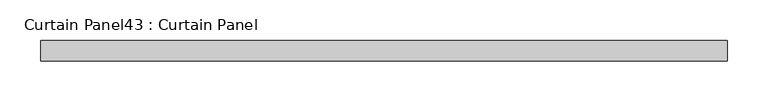
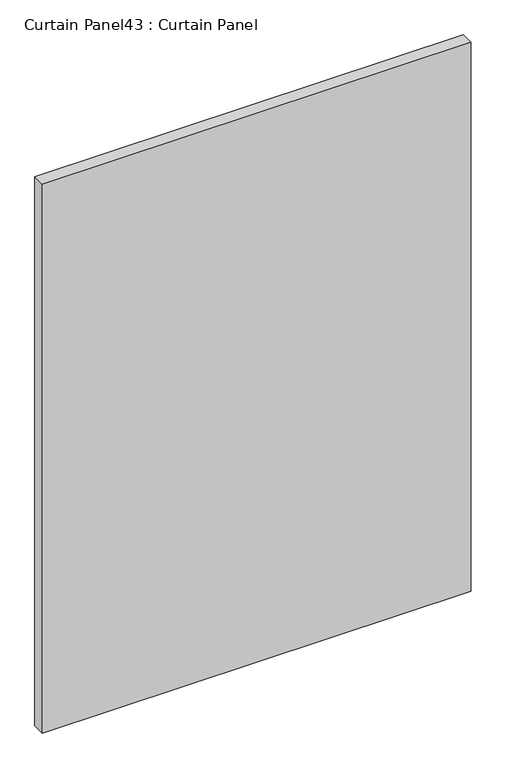
"""IFC4 building model written with IfcOpenShell, lengths in millimetres: plate geometry, Curtain Panel43 : Curtain Panel."""

from ifc_helpers import new_model, si_unit, frame, origin, place, context, project, spatial, polyline, outline, extrude, source, transform, mapped, element, save


def curtain_panel43_curtain_panel_84adf11e(model_context):
    return source(origin(), model_context, "Body", "SweptSolid", [
        extrude(outline(polyline([(-42818.9811382, -3859.9631042), (-43663.31415, -3859.9631042), (-43663.31415, -3834.5631042), (-42818.9811382, -3834.5631042), (-42818.9811382, -3859.9631042)])), frame((0.0, 0.0, 2447.925), z_axis=(0.0, 0.0, 1.0), x_axis=(1.0, 0.0, 0.0)), (0.0, 0.0, 1.0), 1141.8462759),
    ])


if __name__ == "__main__":
    model = new_model("IFC4")
    model_context = context("Model", 3, world=origin())
    ifc_project = project(units=[si_unit("LENGTHUNIT", "METRE", prefix="MILLI")], contexts=[model_context])
    site = spatial("IfcSite", under=ifc_project)
    building = spatial("IfcBuilding", under=site)
    placement = place(None, origin())
    curtain_panel43_curtain_panel_shape = curtain_panel43_curtain_panel_84adf11e(model_context)
    element("IfcPlate", 1, ObjectType="Curtain Panel43 : Curtain Panel", at=placement, inside=building, context=model_context, shape_type="MappedRepresentation", body=[
        mapped(curtain_panel43_curtain_panel_shape, transform((0.0, 0.0, 0.0), x_axis=(1.0, 0.0, 0.0), y_axis=(0.0, 1.0, 0.0), z_axis=(0.0, 0.0, 1.0))),
    ])
    save(model, "model.ifc")
